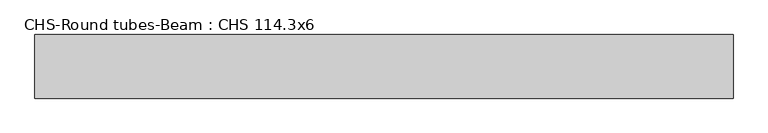
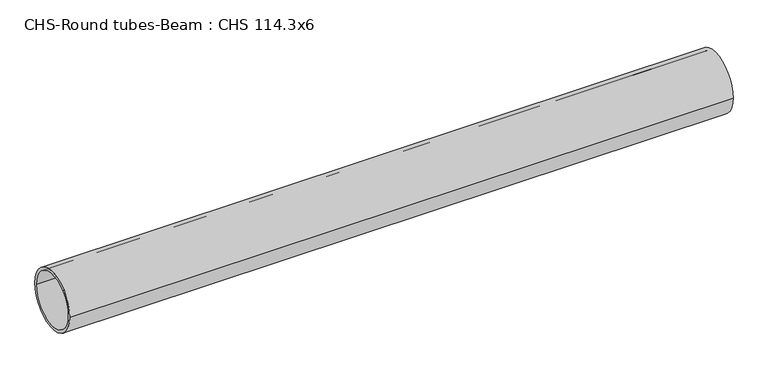
"""IFC4 building model written with IfcOpenShell, lengths in millimetres: beam geometry, CHS-Round tubes-Beam : CHS 114.3x6."""

from ifc_helpers import new_model, si_unit, point, frame, origin, origin_2d, place, context, project, spatial, circle_curve, trimmed, segment, composite_curve, outline, extrude, source, transform, mapped, element, save


def chs_round_tubes_beam_chs_114_3x6_ed7ad012(model_context):
    return source(origin(), model_context, "Body", "SweptSolid", [
        extrude(outline(composite_curve([segment(trimmed(circle_curve(origin_2d(), 57.15), [point((57.15, 0.0))], [point((-57.15, 0.0))], False, "CARTESIAN"), True, "CONTINUOUS"), segment(trimmed(circle_curve(origin_2d(), 57.15), [point((-57.15, 0.0))], [point((57.15, 0.0))], False, "CARTESIAN"), True, "CONTINUOUS")], self_intersect=False), holes=[composite_curve([segment(trimmed(circle_curve(origin_2d(), 51.15), [point((51.15, 0.0))], [point((-51.15, 0.0))], True, "CARTESIAN"), True, "CONTINUOUS"), segment(trimmed(circle_curve(origin_2d(), 51.15), [point((-51.15, 0.0))], [point((51.15, 0.0))], True, "CARTESIAN"), True, "CONTINUOUS")], self_intersect=False)]), frame((-626.838184, 0.0, 0.0), z_axis=(1.0, 0.0, 0.0), x_axis=(0.0, 1.0, 0.0)), (0.0, 0.0, 1.0), 1253.6755378),
    ])


if __name__ == "__main__":
    model = new_model("IFC4")
    model_context = context("Model", 3, world=origin())
    ifc_project = project(units=[si_unit("LENGTHUNIT", "METRE", prefix="MILLI")], contexts=[model_context])
    site = spatial("IfcSite", under=ifc_project)
    building = spatial("IfcBuilding", under=site)
    placement = place(None, origin())
    chs_round_tubes_beam_chs_114_3x6_shape = chs_round_tubes_beam_chs_114_3x6_ed7ad012(model_context)
    element("IfcBeam", 1, ObjectType="CHS-Round tubes-Beam : CHS 114.3x6", at=placement, inside=building, context=model_context, shape_type="MappedRepresentation", body=[
        mapped(chs_round_tubes_beam_chs_114_3x6_shape, transform((0.0, 0.0, 0.0), x_axis=(1.0, 0.0, 0.0), y_axis=(0.0, 1.0, 0.0), z_axis=(0.0, 0.0, 1.0))),
    ])
    save(model, "model.ifc")
